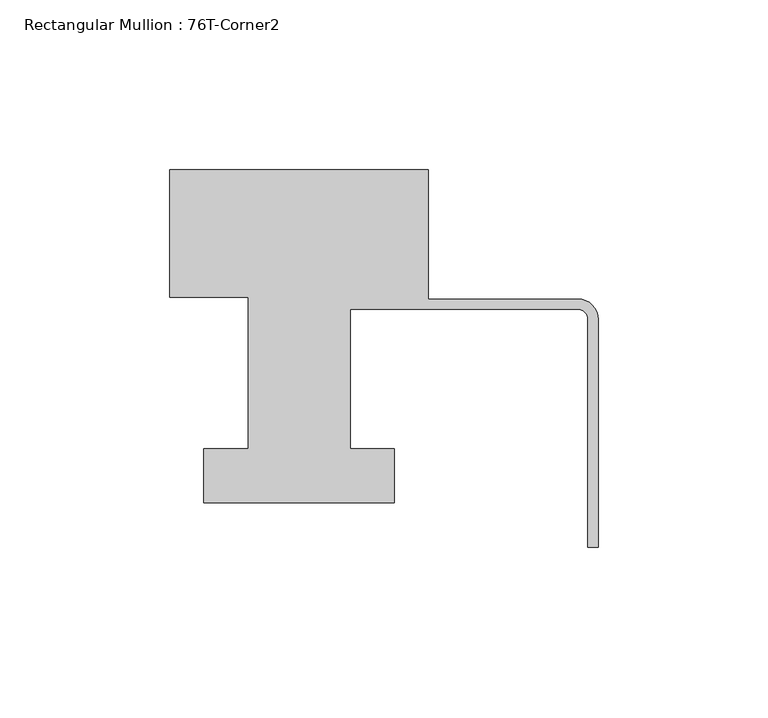
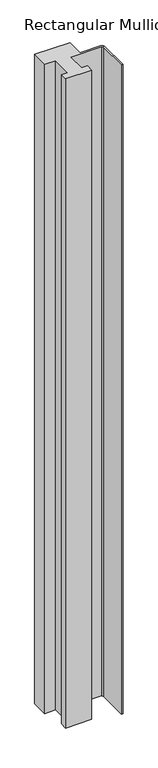
"""IFC4 building model written with IfcOpenShell, lengths in millimetres: member geometry, Rectangular Mullion : 76T-Corner2."""

from ifc_helpers import new_model, si_unit, point, frame, frame_2d, origin, place, context, project, spatial, polyline, circle_curve, trimmed, segment, composite_curve, outline, extrude, source, transform, mapped, element, save


def rectangular_mullion_76t_corner2_90beaf35(model_context):
    return source(origin(), model_context, "Body", "SweptSolid", [
        extrude(outline(composite_curve([segment(polyline([(-126.0, 38.0), (-50.0, 38.0), (-50.0, 0.0), (-6.0, 0.0)]), True, "CONTINUOUS"), segment(trimmed(circle_curve(frame_2d((-6.0, -6.0)), 6.0), [point((-6.0, 0.0))], [point((0.0, -6.0))], False, "CARTESIAN"), True, "CONTINUOUS"), segment(polyline([(0.0, -6.0), (0.0, -73.0), (-3.0, -73.0), (-3.0, -6.0)]), True, "CONTINUOUS"), segment(trimmed(circle_curve(frame_2d((-6.0, -6.0)), 3.0), [point((-3.0, -6.0))], [point((-6.0, -3.0))], True, "CARTESIAN"), True, "CONTINUOUS"), segment(polyline([(-6.0, -3.0), (-73.0, -3.0), (-73.0, -44.0), (-60.0, -44.0), (-60.0, -60.0), (-116.0, -60.0), (-116.0, -44.0), (-103.0, -44.0), (-103.0, 0.5), (-126.0, 0.5), (-126.0, 38.0)]), True, "CONTINUOUS")], self_intersect=False)), frame((0.0, 0.0, -1477.534293), z_axis=(0.0, 0.0, 1.0), x_axis=(1.0, 0.0, 0.0)), (0.0, 0.0, 1.0), 1477.534293),
    ])


if __name__ == "__main__":
    model = new_model("IFC4")
    model_context = context("Model", 3, world=origin())
    ifc_project = project(units=[si_unit("LENGTHUNIT", "METRE", prefix="MILLI")], contexts=[model_context])
    site = spatial("IfcSite", under=ifc_project)
    building = spatial("IfcBuilding", under=site)
    placement = place(None, origin())
    rectangular_mullion_76t_corner2_shape = rectangular_mullion_76t_corner2_90beaf35(model_context)
    element("IfcMember", 1, ObjectType="Rectangular Mullion : 76T-Corner2", at=placement, inside=building, context=model_context, shape_type="MappedRepresentation", body=[
        mapped(rectangular_mullion_76t_corner2_shape, transform((0.0, 0.0, 0.0), x_axis=(1.0, 0.0, 0.0), y_axis=(0.0, 1.0, 0.0), z_axis=(0.0, 0.0, 1.0))),
    ])
    save(model, "model.ifc")
